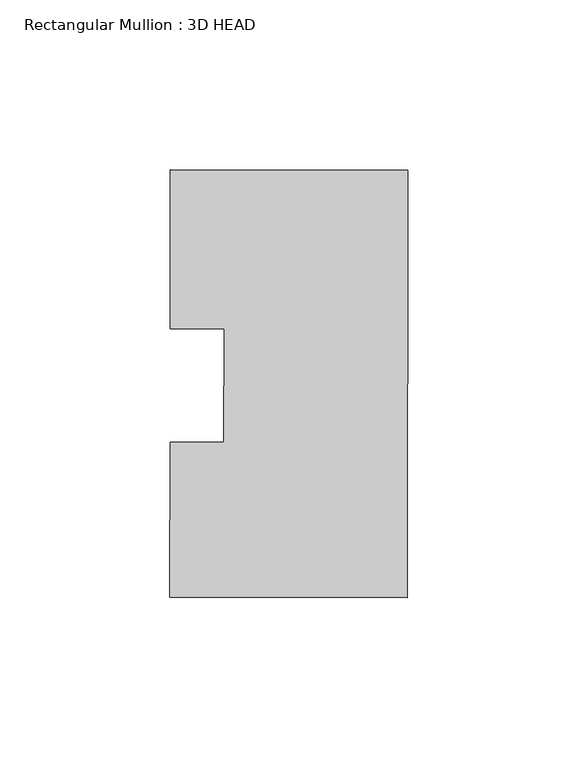
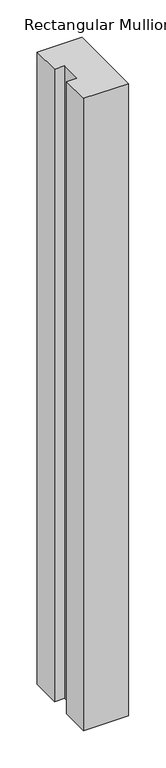
"""IFC4 building model written with IfcOpenShell, lengths in millimetres: member geometry, Rectangular Mullion : 3D HEAD."""

import ifcopenshell
import ifcopenshell.guid

model = None  # the IFC model being written
_history = None  # IfcOwnerHistory: only IFC2X3 demands one
_inside = {}  # id of a spatial element -> (the spatial element, [elements in it])
_under = {}  # id of a project, library or spatial element -> (it, [spatial elements below it])
_declared = {}  # id of a project -> (the project, [libraries it declares])
_typed = {}  # id of a type object -> (the type object, [elements of that type])
_made_of = {}  # id of a material, layer set ... -> (it, [elements and type objects made of it])


def new_model(schema):
    """Start an empty IFC model of exactly this schema.

    Asked for "IFC4X3", IfcOpenShell would pick the latest addendum, in which some entities
    have other attributes; the version numbers below select the first issue.
    IFC2X3 requires an IfcOwnerHistory on every rooted entity: one is made here for all.
    """
    global model, _history
    if schema == "IFC4X3":
        model = ifcopenshell.file(schema_version=(4, 3, 0, 0))
    else:
        model = ifcopenshell.file(schema=schema)
    _inside.clear()
    _under.clear()
    _declared.clear()
    _typed.clear()
    _made_of.clear()
    _history = None
    if model.schema == "IFC2X3":
        org = make("IfcOrganization", Name="unknown")
        user = make(
            "IfcPersonAndOrganization",
            ThePerson=make("IfcPerson", FamilyName="unknown"),
            TheOrganization=org,
        )
        app = make(
            "IfcApplication",
            ApplicationDeveloper=org,
            Version="unknown",
            ApplicationFullName="unknown",
            ApplicationIdentifier="unknown",
        )
        _history = make(
            "IfcOwnerHistory",
            OwningUser=user,
            OwningApplication=app,
            ChangeAction="ADDED",
            CreationDate=0,
        )
    return model


def make(cls, **values):
    """One entity of the class cls with the attributes given. An attribute that is None is left unset."""
    return model.create_entity(
        cls, **{name: value for name, value in values.items() if value is not None}
    )


def rooted(cls, **values):
    """An entity with a GlobalId (a new one), such as an element, a storey or a relation."""
    return make(cls, GlobalId=ifcopenshell.guid.new(), OwnerHistory=_history, **values)


def si_unit(unit_type, name, prefix=None):
    """IfcSIUnit, for example si_unit("LENGTHUNIT", "METRE", prefix="MILLI")."""
    return make("IfcSIUnit", UnitType=unit_type, Prefix=prefix, Name=name)


def assignment(units):
    """IfcUnitAssignment: the units of a project."""
    return None if units is None else make("IfcUnitAssignment", Units=units)


def point(xyz):
    """IfcCartesianPoint."""
    return None if xyz is None else make("IfcCartesianPoint", Coordinates=xyz)


def direction(xyz):
    """IfcDirection."""
    return None if xyz is None else make("IfcDirection", DirectionRatios=xyz)


def frame(location, z_axis=None, x_axis=None):
    """IfcAxis2Placement3D, a coordinate frame: its origin and axes. An axis left out is left unset."""
    return make(
        "IfcAxis2Placement3D",
        Location=point(location),
        Axis=direction(z_axis),
        RefDirection=direction(x_axis),
    )


def origin():
    """The frame at (0, 0, 0) with its axes left unset."""
    return frame((0.0, 0.0, 0.0))


def place(relative_to, where):
    """IfcLocalPlacement: puts the frame where relative to a parent placement (None: the world)."""
    return make(
        "IfcLocalPlacement", PlacementRelTo=relative_to, RelativePlacement=where
    )


def context(
    kind, dimensions, precision=None, world=None, true_north=None, identifier=None
):
    """IfcGeometricRepresentationContext, for example the 3D "Model" context."""
    return make(
        "IfcGeometricRepresentationContext",
        ContextIdentifier=identifier,
        ContextType=kind,
        CoordinateSpaceDimension=dimensions,
        Precision=precision,
        WorldCoordinateSystem=world,
        TrueNorth=true_north,
    )


def project(units=None, contexts=None):
    """IfcProject with its units and contexts."""
    return rooted(
        "IfcProject",
        Name="project",
        RepresentationContexts=contexts,
        UnitsInContext=assignment(units),
    )


def spatial(cls, under=None, at=None, **own):
    """A site, building, storey or space (cls), placed at a placement, below another one or the project."""
    s = rooted(cls, ObjectPlacement=at, **own)
    if under is not None:
        _under.setdefault(under.id(), (under, []))[1].append(s)
    return s


def polyline(points):
    """IfcPolyline through the points."""
    return make("IfcPolyline", Points=[point(p) for p in points])


def outline(outer, holes=None, kind="AREA"):
    """IfcArbitraryClosedProfileDef: a profile drawn as a closed curve; with holes, ...WithVoids."""
    if holes is None:
        return make("IfcArbitraryClosedProfileDef", ProfileType=kind, OuterCurve=outer)
    return make(
        "IfcArbitraryProfileDefWithVoids",
        ProfileType=kind,
        OuterCurve=outer,
        InnerCurves=holes,
    )


def extrude(swept, where, along, depth):
    """IfcExtrudedAreaSolid: the profile swept, set in the frame where, extruded along a direction by depth."""
    return make(
        "IfcExtrudedAreaSolid",
        SweptArea=swept,
        Position=where,
        ExtrudedDirection=direction(along),
        Depth=depth,
    )


def shape(context_of_items, identifier, shape_type, items):
    """IfcShapeRepresentation: the items that make up one representation, for example the "Body"."""
    return make(
        "IfcShapeRepresentation",
        ContextOfItems=context_of_items,
        RepresentationIdentifier=identifier,
        RepresentationType=shape_type,
        Items=items,
    )


def source(mapping_origin, context_of_items, identifier, shape_type, items):
    """IfcRepresentationMap: a shape defined once, which mapped items show again and again."""
    return make(
        "IfcRepresentationMap",
        MappingOrigin=mapping_origin,
        MappedRepresentation=shape(context_of_items, identifier, shape_type, items),
    )


def transform(
    local_origin,
    x_axis=None,
    y_axis=None,
    z_axis=None,
    scale=None,
    scale2=None,
    scale3=None,
    uniform=True,
):
    """IfcCartesianTransformationOperator3D, or its non-uniform kind. x_axis, y_axis, z_axis: its Axis1, 2, 3."""
    if uniform:
        return make(
            "IfcCartesianTransformationOperator3D",
            Axis1=direction(x_axis),
            Axis2=direction(y_axis),
            LocalOrigin=point(local_origin),
            Scale=scale,
            Axis3=direction(z_axis),
        )
    return make(
        "IfcCartesianTransformationOperator3DnonUniform",
        Axis1=direction(x_axis),
        Axis2=direction(y_axis),
        LocalOrigin=point(local_origin),
        Scale=scale,
        Axis3=direction(z_axis),
        Scale2=scale2,
        Scale3=scale3,
    )


def mapped(mapping_source, mapping_target):
    """IfcMappedItem: shows the shape of a source again, moved by a transform."""
    return make(
        "IfcMappedItem", MappingSource=mapping_source, MappingTarget=mapping_target
    )


def made_of(thing, what):
    """Note that an element or type object is made of a material, layer set ...; save() writes the relation."""
    if what is not None:
        _made_of.setdefault(what.id(), (what, []))[1].append(thing)
    return thing


def element(
    cls,
    number,
    at=None,
    inside=None,
    cuts=None,
    type_object=None,
    material=None,
    context=None,
    identifier="Body",
    shape_type=None,
    held_by="IfcProductDefinitionShape",
    body=None,
    shapes=None,
    **own,
):
    """One element of the class cls, such as IfcWall. Its Tag is "e" and its number.

    at: its placement. inside: the storey or other place that contains it. cuts: it is an
    opening in that element (IfcRelVoidsElement). A single representation is given by context,
    identifier, shape_type and body (its items); several are given by shapes. held_by: the class
    of the entity that holds the representations. save() writes the other relations.
    """
    e = rooted(cls, Tag="e%d" % number, ObjectPlacement=at, **own)
    if body is not None:
        shapes = [shape(context, identifier, shape_type, body)]
    if shapes is not None:
        e.Representation = make(held_by, Representations=shapes)
    if inside is not None:
        _inside.setdefault(inside.id(), (inside, []))[1].append(e)
    if cuts is not None:
        rooted(
            "IfcRelVoidsElement", RelatingBuildingElement=cuts, RelatedOpeningElement=e
        )
    if type_object is not None:
        _typed.setdefault(type_object.id(), (type_object, []))[1].append(e)
    return made_of(e, material)


def aggregate(whole, parts):
    """IfcRelAggregates: a whole, such as a stair, and the parts it consists of."""
    return rooted("IfcRelAggregates", RelatingObject=whole, RelatedObjects=parts)


def save(model, path):
    """Write the relations noted so far, then the file.

    IfcRelAggregates (storeys below a building ...), IfcRelContainedInSpatialStructure (elements
    in a storey), IfcRelDefinesByType, IfcRelAssociatesMaterial and IfcRelDeclares: one each for
    every whole, place, type object, material and project.
    """
    for whole, parts in _under.values():
        aggregate(whole, parts)
    for where, things in _inside.values():
        rooted(
            "IfcRelContainedInSpatialStructure",
            RelatedElements=things,
            RelatingStructure=where,
        )
    for kind, things in _typed.values():
        rooted("IfcRelDefinesByType", RelatedObjects=things, RelatingType=kind)
    for what, things in _made_of.values():
        rooted("IfcRelAssociatesMaterial", RelatedObjects=things, RelatingMaterial=what)
    for by, libraries in _declared.values():
        rooted("IfcRelDeclares", RelatingContext=by, RelatedDefinitions=libraries)
    model.write(path)


def rectangular_mullion_3d_head_cb633aab(model_context):
    return source(origin(), model_context, "Body", "SweptSolid", [
        extrude(outline(polyline([(-69.9433395, -16.6773033), (-54.0683503, -16.6957868), (-54.0294719, 16.6957868), (-69.9044612, 16.7142704), (-69.8499527, 63.5301323), (0.0, 63.4488048), (-0.1464486, -62.3319099), (-69.9964013, -62.2505824), (-69.9433395, -16.6773033)])), frame((0.0, 0.0, -1039.0394607), z_axis=(0.0, 0.0, 1.0), x_axis=(1.0, 0.0, 0.0)), (0.0, 0.0, 1.0), 1039.0394607),
    ])


if __name__ == "__main__":
    model = new_model("IFC4")
    model_context = context("Model", 3, world=origin())
    ifc_project = project(units=[si_unit("LENGTHUNIT", "METRE", prefix="MILLI")], contexts=[model_context])
    site = spatial("IfcSite", under=ifc_project)
    building = spatial("IfcBuilding", under=site)
    placement = place(None, origin())
    rectangular_mullion_3d_head_shape = rectangular_mullion_3d_head_cb633aab(model_context)
    element("IfcMember", 1, ObjectType="Rectangular Mullion : 3D HEAD", at=placement, inside=building, context=model_context, shape_type="MappedRepresentation", body=[
        mapped(rectangular_mullion_3d_head_shape, transform((0.0, 0.0, 0.0), x_axis=(1.0, 0.0, 0.0), y_axis=(0.0, 1.0, 0.0), z_axis=(0.0, 0.0, 1.0))),
    ])
    save(model, "model.ifc")
